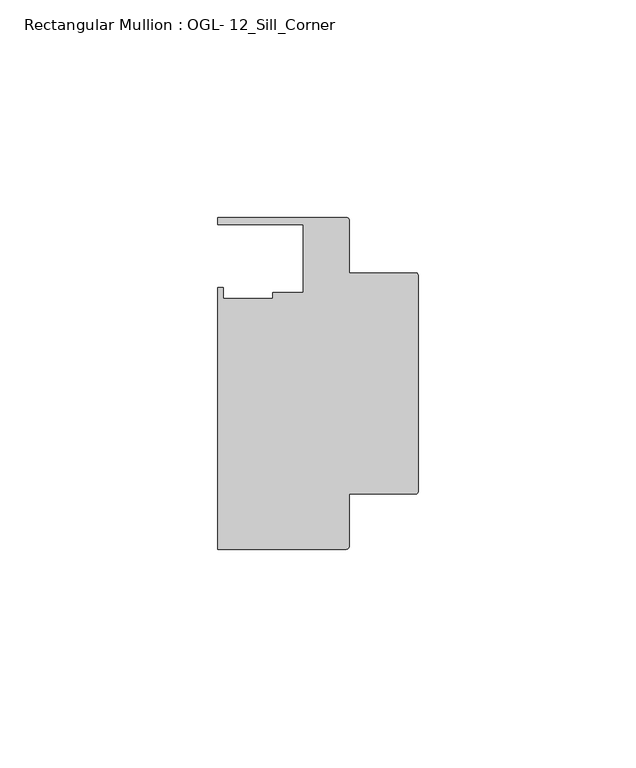
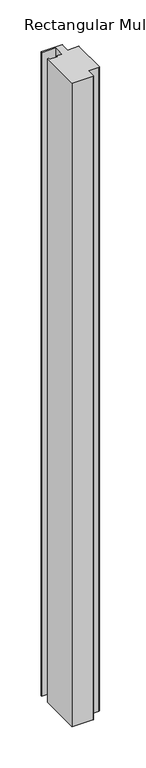
"""IFC4 building model written with IfcOpenShell, lengths in millimetres: member geometry, Rectangular Mullion : OGL- 12_Sill_Corner."""

from ifc_helpers import new_model, si_unit, point, frame, frame_2d, origin, place, context, project, spatial, polyline, circle_curve, trimmed, segment, composite_curve, outline, extrude, source, transform, mapped, element, save


def rectangular_mullion_ogl_12_sill_corner_b92743dd(model_context):
    return source(origin(), model_context, "Body", "SweptSolid", [
        extrude(outline(composite_curve([segment(polyline([(-0.5953125, -55.5625), (-15.8750672, -55.5625), (-15.8750672, -67.6668667)]), True, "CONTINUOUS"), segment(trimmed(circle_curve(frame_2d((-16.4703797, -67.6668667)), 0.5953125), [point((-15.8750672, -67.6668667))], [point((-16.4703797, -68.2621792))], False, "CARTESIAN"), True, "CONTINUOUS"), segment(polyline([(-16.4703797, -68.2621792), (-46.0339598, -68.2621792), (-46.0339598, -8.1914024), (-44.7780305, -8.1914024), (-44.7780305, -10.6800725), (-33.3985545, -10.6800725), (-33.3985545, -9.3367652), (-26.3720794, -9.3367652), (-26.3720794, 6.350016), (-46.0248655, 6.350016), (-46.0248655, 7.937516), (-16.4703797, 7.937516)]), True, "CONTINUOUS"), segment(trimmed(circle_curve(frame_2d((-16.4703797, 7.3422035)), 0.5953125), [point((-16.4703797, 7.937516))], [point((-15.8750672, 7.3422035))], False, "CARTESIAN"), True, "CONTINUOUS"), segment(polyline([(-15.8750672, 7.3422035), (-15.8750672, -4.7625), (-0.5953125, -4.7625)]), True, "CONTINUOUS"), segment(trimmed(circle_curve(frame_2d((-0.5953125, -5.3578125)), 0.5953125), [point((-0.5953125, -4.7625))], [point((0.0, -5.3578125))], False, "CARTESIAN"), True, "CONTINUOUS"), segment(polyline([(0.0, -5.3578125), (0.0, -54.9671875)]), True, "CONTINUOUS"), segment(trimmed(circle_curve(frame_2d((-0.5953125, -54.9671875)), 0.5953125), [point((0.0, -54.9671875))], [point((-0.5953125, -55.5625))], False, "CARTESIAN"), True, "CONTINUOUS")], self_intersect=False)), frame((0.0, 0.0, -956.7333333), z_axis=(0.0, 0.0, 1.0), x_axis=(1.0, 0.0, 0.0)), (0.0, 0.0, 1.0), 956.7333333),
    ])


if __name__ == "__main__":
    model = new_model("IFC4")
    model_context = context("Model", 3, world=origin())
    ifc_project = project(units=[si_unit("LENGTHUNIT", "METRE", prefix="MILLI")], contexts=[model_context])
    site = spatial("IfcSite", under=ifc_project)
    building = spatial("IfcBuilding", under=site)
    placement = place(None, origin())
    rectangular_mullion_ogl_12_sill_corner_shape = rectangular_mullion_ogl_12_sill_corner_b92743dd(model_context)
    element("IfcMember", 1, ObjectType="Rectangular Mullion : OGL- 12_Sill_Corner", at=placement, inside=building, context=model_context, shape_type="MappedRepresentation", body=[
        mapped(rectangular_mullion_ogl_12_sill_corner_shape, transform((0.0, 0.0, 0.0), x_axis=(1.0, 0.0, 0.0), y_axis=(0.0, 1.0, 0.0), z_axis=(0.0, 0.0, 1.0))),
    ])
    save(model, "model.ifc")
